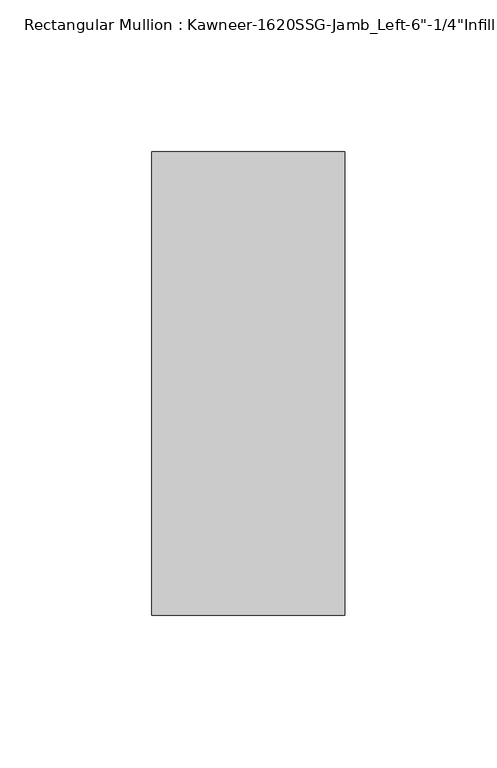
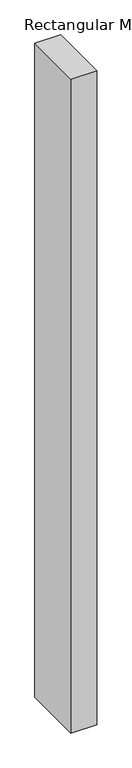
"""IFC4 building model written with IfcOpenShell, lengths in millimetres: member geometry."""

from ifc_helpers import new_model, si_unit, frame, origin, place, context, project, spatial, polyline, outline, extrude, source, transform, mapped, element, save


def member_855aa58d(model_context):
    return source(origin(), model_context, "Body", "SweptSolid", [
        extrude(outline(polyline([(22.225, -28.575), (-41.275, -28.575), (-41.275, 123.825), (22.225, 123.825), (22.225, -28.575)])), frame((0.0, 0.0, -1695.45), z_axis=(0.0, 0.0, 1.0), x_axis=(1.0, 0.0, 0.0)), (0.0, 0.0, 1.0), 1695.45),
    ])


if __name__ == "__main__":
    model = new_model("IFC4")
    model_context = context("Model", 3, world=origin())
    ifc_project = project(units=[si_unit("LENGTHUNIT", "METRE", prefix="MILLI")], contexts=[model_context])
    site = spatial("IfcSite", under=ifc_project)
    building = spatial("IfcBuilding", under=site)
    placement = place(None, origin())
    member_shape = member_855aa58d(model_context)
    element("IfcMember", 1, ObjectType="Rectangular Mullion : Kawneer-1620SSG-Jamb_Left-6\"-1/4\"Infill", at=placement, inside=building, context=model_context, shape_type="MappedRepresentation", body=[
        mapped(member_shape, transform((0.0, 0.0, 0.0), x_axis=(1.0, 0.0, 0.0), y_axis=(0.0, 1.0, 0.0), z_axis=(0.0, 0.0, 1.0))),
    ])
    save(model, "model.ifc")
